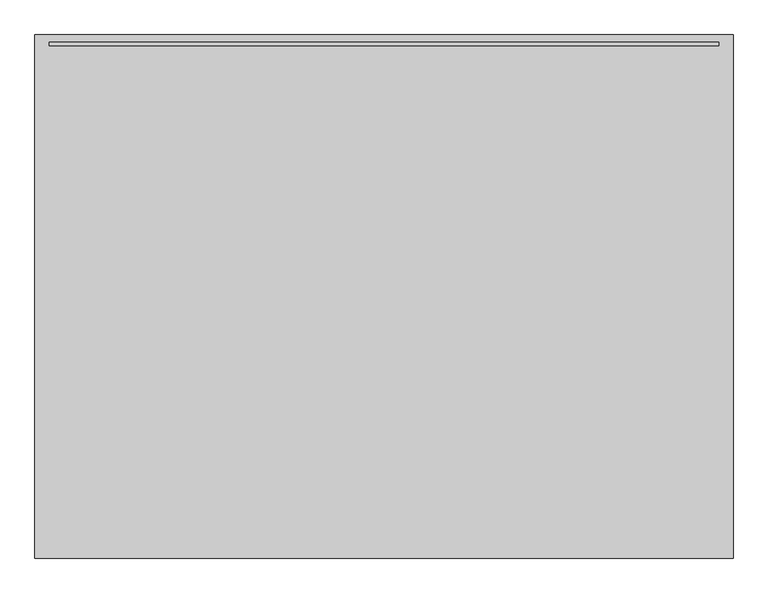
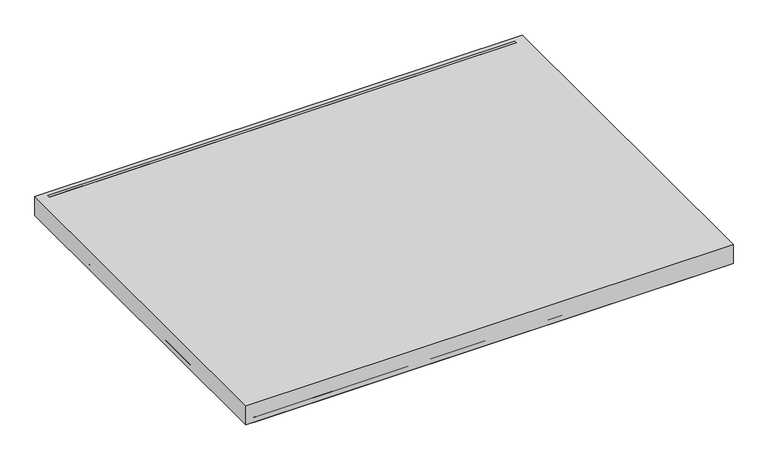
"""IFC4 building model written with IfcOpenShell, lengths in millimetres: proxy geometry."""

from ifc_helpers import new_model, si_unit, point, frame, frame_2d, origin, origin_with_axes, place, context, project, spatial, polyline, circle_curve, trimmed, segment, composite_curve, outline, extrude, source, transform, mapped, element, save


def specialty_equipment_113d1ed2(model_context):
    return source(origin(), model_context, "Body", "SweptSolid", [
        extrude(outline(polyline([(609.6, -457.2), (-609.6, -457.2), (-609.6, 457.2), (609.6, 457.2), (609.6, -457.2)])), origin_with_axes(), (0.0, 0.0, 1.0), 50.8),
        extrude(outline(composite_curve([segment(polyline([(584.2, 419.1), (584.2, -419.1)]), True, "CONTINUOUS"), segment(trimmed(circle_curve(frame_2d((571.5, -419.1)), 12.7), [point((584.2, -419.1))], [point((571.5, -431.8))], False, "CARTESIAN"), True, "CONTINUOUS"), segment(polyline([(571.5, -431.8), (-571.5, -431.8)]), True, "CONTINUOUS"), segment(trimmed(circle_curve(frame_2d((-571.5, -419.1)), 12.7), [point((-571.5, -431.8))], [point((-584.2, -419.1))], False, "CARTESIAN"), True, "CONTINUOUS"), segment(polyline([(-584.2, -419.1), (-584.2, 419.1)]), True, "CONTINUOUS"), segment(trimmed(circle_curve(frame_2d((-571.5, 419.1)), 12.7), [point((-584.2, 419.1))], [point((-571.5, 431.8))], False, "CARTESIAN"), True, "CONTINUOUS"), segment(polyline([(-571.5, 431.8), (571.5, 431.8)]), True, "CONTINUOUS"), segment(trimmed(circle_curve(frame_2d((571.5, 419.1)), 12.7), [point((571.5, 431.8))], [point((584.2, 419.1))], False, "CARTESIAN"), True, "CONTINUOUS")], self_intersect=False)), origin_with_axes(), (0.0, 0.0, 1.0), 6.6972656),
        extrude(outline(polyline([(438.15, 51.4978879), (444.5, 51.4978879), (444.5, 45.1478879), (450.85, 45.1478879), (450.85, 38.7978879), (457.2, 38.7978879), (457.2, 13.3978879), (438.15, 13.3978879), (438.15, 51.4978879)])), frame((-584.2, 0.0, 0.0), z_axis=(1.0, 0.0, 0.0), x_axis=(0.0, 1.0, 0.0)), (0.0, 0.0, 1.0), 1168.4),
        extrude(outline(composite_curve([segment(polyline([(584.2, -457.2), (-589.1477625, -457.2)]), True, "CONTINUOUS"), segment(trimmed(circle_curve(frame_2d((-589.1477625, -436.7477625)), 20.4522375), [point((-589.1477625, -457.2))], [point((-609.6, -436.7477625))], False, "CARTESIAN"), True, "CONTINUOUS"), segment(polyline([(-609.6, -436.7477625), (-609.6, 436.7477625)]), True, "CONTINUOUS"), segment(trimmed(circle_curve(frame_2d((-589.1477625, 436.7477625)), 20.4522375), [point((-609.6, 436.7477625))], [point((-589.1477625, 457.2))], False, "CARTESIAN"), True, "CONTINUOUS"), segment(polyline([(-589.1477625, 457.2), (584.2, 457.2)]), True, "CONTINUOUS"), segment(trimmed(circle_curve(frame_2d((584.2, 431.8)), 25.4), [point((584.2, 457.2))], [point((609.6, 431.8))], False, "CARTESIAN"), True, "CONTINUOUS"), segment(polyline([(609.6, 431.8), (609.6, -431.8)]), True, "CONTINUOUS"), segment(trimmed(circle_curve(frame_2d((584.2, -431.8)), 25.4), [point((609.6, -431.8))], [point((584.2, -457.2))], False, "CARTESIAN"), True, "CONTINUOUS")], self_intersect=False), holes=[composite_curve([segment(trimmed(circle_curve(frame_2d((571.5, -419.1)), 12.7), [point((571.5, -431.8))], [point((584.2, -419.1))], True, "CARTESIAN"), True, "CONTINUOUS"), segment(polyline([(584.2, -419.1), (584.2, 419.1)]), True, "CONTINUOUS"), segment(trimmed(circle_curve(frame_2d((571.5, 419.1)), 12.7), [point((584.2, 419.1))], [point((571.5, 431.8))], True, "CARTESIAN"), True, "CONTINUOUS"), segment(polyline([(571.5, 431.8), (-571.5, 431.8)]), True, "CONTINUOUS"), segment(trimmed(circle_curve(frame_2d((-571.5, 419.1)), 12.7), [point((-571.5, 431.8))], [point((-584.2, 419.1))], True, "CARTESIAN"), True, "CONTINUOUS"), segment(polyline([(-584.2, 419.1), (-584.2, -419.1)]), True, "CONTINUOUS"), segment(trimmed(circle_curve(frame_2d((-571.5, -419.1)), 12.7), [point((-584.2, -419.1))], [point((-571.5, -431.8))], True, "CARTESIAN"), True, "CONTINUOUS"), segment(polyline([(-571.5, -431.8), (571.5, -431.8)]), True, "CONTINUOUS")], self_intersect=False)]), origin_with_axes(), (0.0, 0.0, 1.0), 13.3978879),
    ])


if __name__ == "__main__":
    model = new_model("IFC4")
    model_context = context("Model", 3, world=origin())
    ifc_project = project(units=[si_unit("LENGTHUNIT", "METRE", prefix="MILLI")], contexts=[model_context])
    site = spatial("IfcSite", under=ifc_project)
    building = spatial("IfcBuilding", under=site)
    placement = place(None, origin())
    specialty_equipment_shape = specialty_equipment_113d1ed2(model_context)
    element("IfcBuildingElementProxy", 1, Name="Specialty Equipment", at=placement, inside=building, context=model_context, shape_type="MappedRepresentation", body=[
        mapped(specialty_equipment_shape, transform((0.0, 0.0, 0.0), x_axis=(1.0, 0.0, 0.0), y_axis=(0.0, 1.0, 0.0), z_axis=(0.0, 0.0, 1.0))),
    ])
    save(model, "model.ifc")
